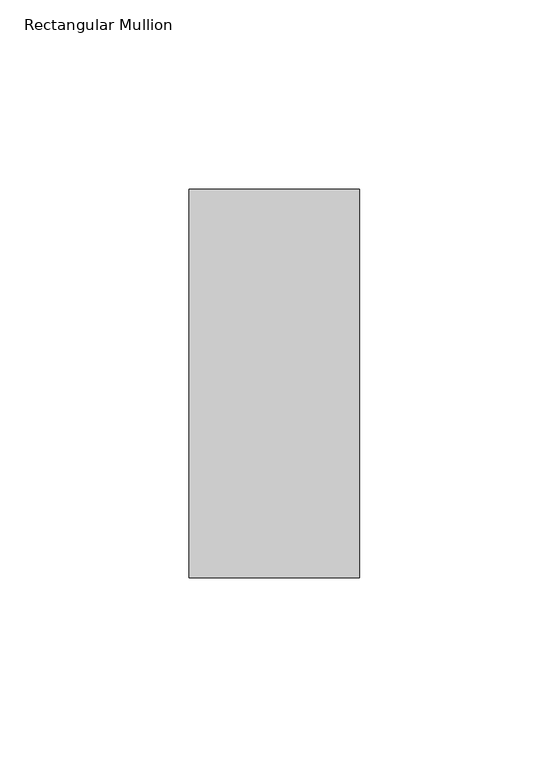
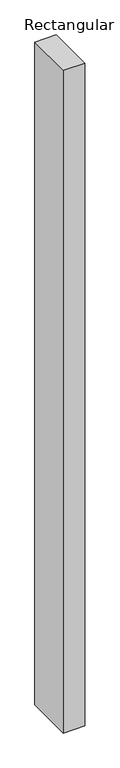
"""IFC4 building model written with IfcOpenShell, lengths in millimetres: member geometry, Rectangular Mullion."""

from ifc_helpers import new_model, si_unit, frame, origin, place, context, project, spatial, polyline, outline, extrude, source, transform, mapped, element, save


def rectangular_mullion_e10f6cdc(model_context):
    return source(origin(), model_context, "Body", "SweptSolid", [
        extrude(outline(polyline([(-45.0, 66.73125), (0.0, 66.73125), (0.0, -35.73125), (-45.0, -35.73125), (-45.0, 66.73125)])), frame((0.0, 0.0, -1465.1808809), z_axis=(0.0, 0.0, 1.0), x_axis=(1.0, 0.0, 0.0)), (0.0, 0.0, 1.0), 1465.1808809),
    ])


if __name__ == "__main__":
    model = new_model("IFC4")
    model_context = context("Model", 3, world=origin())
    ifc_project = project(units=[si_unit("LENGTHUNIT", "METRE", prefix="MILLI")], contexts=[model_context])
    site = spatial("IfcSite", under=ifc_project)
    building = spatial("IfcBuilding", under=site)
    placement = place(None, origin())
    rectangular_mullion_shape = rectangular_mullion_e10f6cdc(model_context)
    element("IfcMember", 1, ObjectType="Rectangular Mullion", at=placement, inside=building, context=model_context, shape_type="MappedRepresentation", body=[
        mapped(rectangular_mullion_shape, transform((0.0, 0.0, 0.0), x_axis=(1.0, 0.0, 0.0), y_axis=(0.0, 1.0, 0.0), z_axis=(0.0, 0.0, 1.0))),
    ])
    save(model, "model.ifc")
